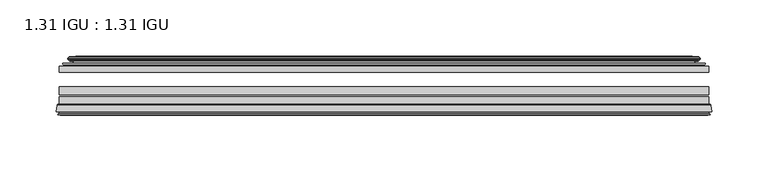
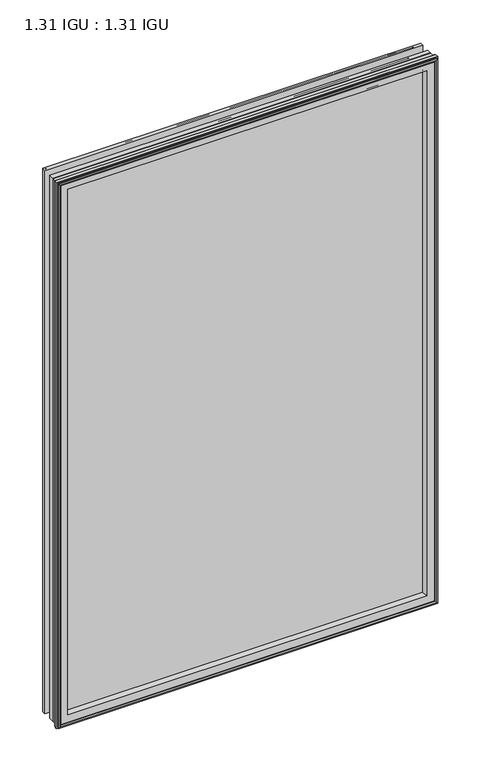
"""IFC4 building model written with IfcOpenShell, lengths in millimetres: plate geometry, 1.31 IGU : 1.31 IGU."""

from ifc_helpers import new_model, si_unit, frame, origin, place, context, project, spatial, polyline, ellipse_curve, outline, extrude, source, transform, mapped, element, save
from ifc_brep_helpers import plane_surface, cylinder_surface, revolved_surface, advanced_brep


def plate_1_31_igu_1_31_igu_e67e0231(model_context):
    return source(origin(), model_context, "Body", "SolidModel", [
        extrude(outline(polyline([(287.3331075, -44.8960875), (287.3331075, -50.4332875), (-287.3380426, -50.4332875), (-287.3380426, -44.8960875), (287.3331075, -44.8960875)])), frame((0.0, 0.0, -14.2875), z_axis=(0.0, 0.0, 1.0), x_axis=(1.0, 0.0, 0.0)), (0.0, 0.0, 1.0), 873.1260851),
        extrude(outline(polyline([(-287.3380426, -78.7796875), (-287.3380426, -71.7692875), (287.3331075, -71.7692875), (287.3331075, -78.7796875), (-287.3380426, -78.7796875)])), frame((0.0, 0.0, -14.2875), z_axis=(0.0, 0.0, 1.0), x_axis=(1.0, 0.0, 0.0)), (0.0, 0.0, 1.0), 873.1260851),
        extrude(outline(polyline([(-287.3380426, -70.2452875), (-287.3380426, -63.1332875), (287.3331075, -63.1332875), (287.3331075, -70.2452875), (-287.3380426, -70.2452875)])), frame((0.0, 0.0, -14.2875), z_axis=(0.0, 0.0, 1.0), x_axis=(1.0, 0.0, 0.0)), (0.0, 0.0, 1.0), 873.1260851),
        advanced_brep(
        [(-289.8849465, -85.1296875, 861.385489), (-289.1901627, -79.4711276, 860.6907053), (-289.1901627, -79.4711276, -16.1396201), (-289.8849465, -85.1296875, -16.8344039), (-287.4973465, -87.1207518, 858.997889), (-287.9545465, -85.1296875, 859.455089), (-287.9545465, -85.1296875, -14.9040039), (-287.4973465, -87.1207518, -14.4468039), (-288.4987083, -86.8524376, 859.9992509), (-288.4987083, -86.8524376, -15.4481658), (-288.7419465, -87.7602147, 860.242489), (-288.7419465, -87.7602147, -15.6914039), (-286.7099465, -88.3046875, 858.210489), (-286.7099465, -88.3046875, -13.6594039), (-284.6779465, -87.7602147, 856.178489), (-284.6779465, -87.7602147, -11.6274039), (-284.9211846, -86.8524376, 856.4217272), (-284.9211846, -86.8524376, -11.8706421), (-285.9225465, -87.1207518, 857.423089), (-285.9225465, -87.1207518, -12.8720039), (-285.4653465, -85.1296875, 856.965889), (-285.4653465, -85.1296875, -12.4148039), (-288.4086318, -78.7796875, 859.9091744), (-288.4086318, -78.7796875, -15.3580893), (289.1901627, -79.4711276, -16.1396201), (289.8849465, -85.1296875, -16.8344039), (287.9545465, -85.1296875, -14.9040039), (287.4973465, -87.1207518, -14.4468039), (288.4987083, -86.8524376, -15.4481658), (288.7419465, -87.7602147, -15.6914039), (286.7099465, -88.3046875, -13.6594039), (284.6779465, -87.7602147, -11.6274039), (284.9211846, -86.8524376, -11.8706421), (285.9225465, -87.1207518, -12.8720039), (285.4653465, -85.1296875, -12.4148039), (288.4086318, -78.7796875, -15.3580893), (289.1901627, -79.4711276, 860.6907053), (289.8849465, -85.1296875, 861.385489), (287.9545465, -85.1296875, 859.455089), (287.4973465, -87.1207518, 858.997889), (288.4987083, -86.8524376, 859.9992509), (288.7419465, -87.7602147, 860.242489), (286.7099465, -88.3046875, 858.210489), (284.6779465, -87.7602147, 856.178489), (284.9211846, -86.8524376, 856.4217272), (285.9225465, -87.1207518, 857.423089), (285.4653465, -85.1296875, 856.965889), (288.4086318, -78.7796875, 859.9091744), (-273.0627557, -85.1296875, 844.5632982), (273.0627557, -85.1296875, 844.5632982), (273.0627557, -85.1296875, -0.0122131), (-273.0627557, -85.1296875, -0.0122131), (-269.7464788, -78.7796875, 3.3040638), (269.7464788, -78.7796875, 3.3040638), (269.7464788, -78.7796875, 841.2470213), (-269.7464788, -78.7796875, 841.2470213)],
        [
            (0, 1),
            (1, 2),
            (2, 3),
            (3, 0),
            (4, 5),
            (5, 6),
            (6, 7),
            (7, 4),
            (8, 4),
            (7, 9),
            (9, 8),
            (10, 8),
            (9, 11),
            (11, 10),
            (12, 10),
            (11, 13),
            (13, 12),
            (14, 12),
            (13, 15),
            (15, 14),
            (16, 14),
            (15, 17),
            (17, 16),
            (18, 16),
            (17, 19),
            (19, 18),
            (20, 18),
            (19, 21),
            (21, 20),
            (1, 22, ellipse_curve(frame((-288.4086318, -79.5670875, 859.9091744), z_axis=(-0.7071067811865475, 0.0, -0.7071067811865475), x_axis=(-0.7071067811865474, 0.0, 0.7071067811865476)), 1.1135518, 0.7874)),
            (22, 23),
            (23, 2, ellipse_curve(frame((-288.4086318, -79.5670875, -15.3580893), z_axis=(-0.7071067811865475, 0.0, 0.7071067811865475), x_axis=(0.7071067811865474, 0.0, 0.7071067811865476)), 1.1135518, 0.7874)),
            (2, 24),
            (24, 25),
            (25, 3),
            (6, 26),
            (26, 27),
            (27, 7),
            (27, 28),
            (28, 9),
            (28, 29),
            (29, 11),
            (29, 30),
            (30, 13),
            (30, 31),
            (31, 15),
            (31, 32),
            (32, 17),
            (32, 33),
            (33, 19),
            (33, 34),
            (34, 21),
            (23, 35),
            (35, 24, ellipse_curve(frame((288.4086318, -79.5670875, -15.3580893), z_axis=(-0.7071067811865475, 0.0, -0.7071067811865475), x_axis=(-0.7071067811865476, 0.0, 0.7071067811865474)), 1.1135518, 0.7874)),
            (24, 36),
            (36, 37),
            (37, 25),
            (26, 38),
            (38, 39),
            (39, 27),
            (39, 40),
            (40, 28),
            (40, 41),
            (41, 29),
            (41, 42),
            (42, 30),
            (42, 43),
            (43, 31),
            (43, 44),
            (44, 32),
            (44, 45),
            (45, 33),
            (45, 46),
            (46, 34),
            (35, 47),
            (47, 36, ellipse_curve(frame((288.4086318, -79.5670875, 859.9091744), z_axis=(0.7071067811865475, 0.0, -0.7071067811865475), x_axis=(-0.7071067811865474, 0.0, -0.7071067811865476)), 1.1135518, 0.7874)),
            (36, 1),
            (0, 37),
            (5, 38),
            (4, 39),
            (8, 40),
            (10, 41),
            (12, 42),
            (14, 43),
            (16, 44),
            (18, 45),
            (20, 46),
            (48, 49),
            (49, 50),
            (50, 51),
            (51, 48),
            (22, 47),
            (52, 53),
            (53, 54),
            (54, 55),
            (55, 52),
            (55, 48, ellipse_curve(frame((-261.8134608, -86.963653, 833.3140033), z_axis=(0.7071067811865475, 0.0, 0.7071067811865475), x_axis=(0.7071067811865474, 0.0, -0.7071067811865476)), 16.118937, 11.3978097)),
            (51, 52, ellipse_curve(frame((-261.8134608, -86.963653, 11.2370818), z_axis=(0.7071067811865475, 0.0, -0.7071067811865475), x_axis=(-0.7071067811865474, 0.0, -0.7071067811865476)), 16.118937, 11.3978097)),
            (50, 53, ellipse_curve(frame((261.8134608, -86.963653, 11.2370818), z_axis=(0.7071067811865475, 0.0, 0.7071067811865475), x_axis=(0.7071067811865476, 0.0, -0.7071067811865474)), 16.118937, 11.3978097)),
            (49, 54, ellipse_curve(frame((261.8134608, -86.963653, 833.3140033), z_axis=(-0.7071067811865475, 0.0, 0.7071067811865475), x_axis=(0.7071067811865474, 0.0, 0.7071067811865476)), 16.118937, 11.3978097)),
        ],
        [
            plane_surface(frame((-289.1901627, -79.4711276, 860.6907053), z_axis=(-0.9925461516413008, 0.12186934340532066, 0.0), x_axis=(0.0, 0.0, -1.0))),
            plane_surface(frame((-287.9545465, -85.1296875, 859.455089), z_axis=(-0.9746347637895996, -0.22380142361654334, 0.0), x_axis=(0.0, 0.0, -1.0))),
            plane_surface(frame((-287.4973465, -87.1207518, 858.997889), z_axis=(0.25881904510266784, 0.9659258262890289, 0.0), x_axis=(0.0, 0.0, -1.0))),
            plane_surface(frame((-288.4987083, -86.8524376, 859.9992509), z_axis=(-0.9659258262890449, 0.2588190451026083, 0.0), x_axis=(0.0, 0.0, -1.0))),
            plane_surface(frame((-288.7419465, -87.7602147, 860.242489), z_axis=(-0.2588190451025689, -0.9659258262890554, 0.0), x_axis=(0.0, 0.0, -1.0))),
            plane_surface(frame((-286.7099465, -88.3046875, 858.210489), z_axis=(0.25881904510241466, -0.9659258262890968, 0.0), x_axis=(0.0, 0.0, -1.0))),
            plane_surface(frame((-284.6779465, -87.7602147, 856.178489), z_axis=(0.9659258262890272, 0.25881904510267406, 0.0), x_axis=(0.0, 0.0, -1.0))),
            plane_surface(frame((-284.9211846, -86.8524376, 856.4217272), z_axis=(-0.25881904510234177, 0.9659258262891163, 0.0), x_axis=(0.0, 0.0, -1.0))),
            plane_surface(frame((-285.9225465, -87.1207518, 857.423089), z_axis=(0.9746347637895937, -0.22380142361656946, 0.0), x_axis=(0.0, 0.0, -1.0))),
            cylinder_surface(frame((-288.4086318, -79.5670875, 876.3010851), z_axis=(0.0, 0.0, 1.0), x_axis=(-1.0, 0.0, 0.0)), 0.7874),
            plane_surface(frame((-289.1901627, -79.4711276, -16.1396201), z_axis=(0.0, 0.12186934340531747, -0.9925461516413012), x_axis=(1.0, 0.0, 0.0))),
            plane_surface(frame((-287.9545465, -85.1296875, -14.9040039), z_axis=(0.0, -0.22380142361654648, -0.9746347637895989), x_axis=(1.0, 0.0, 0.0))),
            plane_surface(frame((-287.4973465, -87.1207518, -14.4468039), z_axis=(0.0, 0.9659258262890298, 0.25881904510266474), x_axis=(1.0, 0.0, 0.0))),
            plane_surface(frame((-288.4987083, -86.8524376, -15.4481658), z_axis=(0.0, 0.25881904510260517, -0.9659258262890458), x_axis=(1.0, 0.0, 0.0))),
            plane_surface(frame((-288.7419465, -87.7602147, -15.6914039), z_axis=(0.0, -0.9659258262890563, -0.2588190451025658), x_axis=(1.0, 0.0, 0.0))),
            plane_surface(frame((-286.7099465, -88.3046875, -13.6594039), z_axis=(0.0, -0.965925826289096, 0.25881904510241777), x_axis=(1.0, 0.0, 0.0))),
            plane_surface(frame((-284.6779465, -87.7602147, -11.6274039), z_axis=(0.0, 0.2588190451026772, 0.9659258262890265), x_axis=(1.0, 0.0, 0.0))),
            plane_surface(frame((-284.9211846, -86.8524376, -11.8706421), z_axis=(0.0, 0.9659258262891154, -0.2588190451023449), x_axis=(1.0, 0.0, 0.0))),
            plane_surface(frame((-285.9225465, -87.1207518, -12.8720039), z_axis=(0.0, -0.22380142361656633, 0.9746347637895943), x_axis=(1.0, 0.0, 0.0))),
            cylinder_surface(frame((-304.8005426, -79.5670875, -15.3580893), z_axis=(-1.0, 0.0, 0.0), x_axis=(0.0, 0.0, -1.0)), 0.7874),
            plane_surface(frame((289.1901627, -79.4711276, -16.1396201), z_axis=(0.9925461516413017, 0.12186934340531427, 0.0), x_axis=(0.0, 0.0, 1.0))),
            plane_surface(frame((287.9545465, -85.1296875, -14.9040039), z_axis=(0.9746347637895982, -0.22380142361654962, 0.0), x_axis=(0.0, 0.0, 1.0))),
            plane_surface(frame((287.4973465, -87.1207518, -14.4468039), z_axis=(-0.2588190451026616, 0.9659258262890307, 0.0), x_axis=(0.0, 0.0, 1.0))),
            plane_surface(frame((288.4987083, -86.8524376, -15.4481658), z_axis=(0.9659258262890467, 0.25881904510260206, 0.0), x_axis=(0.0, 0.0, 1.0))),
            plane_surface(frame((288.7419465, -87.7602147, -15.6914039), z_axis=(0.2588190451025627, -0.9659258262890572, 0.0), x_axis=(0.0, 0.0, 1.0))),
            plane_surface(frame((286.7099465, -88.3046875, -13.6594039), z_axis=(-0.2588190451024209, -0.9659258262890951, 0.0), x_axis=(0.0, 0.0, 1.0))),
            plane_surface(frame((284.6779465, -87.7602147, -11.6274039), z_axis=(-0.9659258262890256, 0.25881904510268033, 0.0), x_axis=(0.0, 0.0, 1.0))),
            plane_surface(frame((284.9211846, -86.8524376, -11.8706421), z_axis=(0.25881904510234804, 0.9659258262891146, 0.0), x_axis=(0.0, 0.0, 1.0))),
            plane_surface(frame((285.9225465, -87.1207518, -12.8720039), z_axis=(-0.974634763789595, -0.2238014236165632, 0.0), x_axis=(0.0, 0.0, 1.0))),
            cylinder_surface(frame((288.4086318, -79.5670875, -31.75), z_axis=(0.0, 0.0, -1.0), x_axis=(1.0, 0.0, 0.0)), 0.7874),
            plane_surface(frame((289.1901627, -79.4711276, 860.6907053), z_axis=(0.0, 0.12186934340531747, 0.9925461516413012), x_axis=(-1.0, 0.0, 0.0))),
            plane_surface(frame((289.8849465, -85.1296875, 861.385489), z_axis=(0.0, -1.0, 0.0), x_axis=(-1.0, 0.0, 0.0))),
            plane_surface(frame((287.9545465, -85.1296875, 859.455089), z_axis=(0.0, -0.22380142361654648, 0.9746347637895989), x_axis=(-1.0, 0.0, 0.0))),
            plane_surface(frame((287.4973465, -87.1207518, 858.997889), z_axis=(0.0, 0.9659258262890298, -0.25881904510266474), x_axis=(-1.0, 0.0, 0.0))),
            plane_surface(frame((288.4987083, -86.8524376, 859.9992509), z_axis=(0.0, 0.25881904510260517, 0.9659258262890458), x_axis=(-1.0, 0.0, 0.0))),
            plane_surface(frame((288.7419465, -87.7602147, 860.242489), z_axis=(0.0, -0.9659258262890563, 0.2588190451025658), x_axis=(-1.0, 0.0, 0.0))),
            plane_surface(frame((286.7099465, -88.3046875, 858.210489), z_axis=(0.0, -0.965925826289096, -0.25881904510241777), x_axis=(-1.0, 0.0, 0.0))),
            plane_surface(frame((284.6779465, -87.7602147, 856.178489), z_axis=(0.0, 0.2588190451026772, -0.9659258262890265), x_axis=(-1.0, 0.0, 0.0))),
            plane_surface(frame((284.9211846, -86.8524376, 856.4217272), z_axis=(0.0, 0.9659258262891155, 0.25881904510234494), x_axis=(-1.0, 0.0, 0.0))),
            plane_surface(frame((285.9225465, -87.1207518, 857.423089), z_axis=(0.0, -0.22380142361656633, -0.9746347637895943), x_axis=(-1.0, 0.0, 0.0))),
            plane_surface(frame((285.4653465, -85.1296875, 856.965889), z_axis=(0.0, -1.0, 0.0), x_axis=(-1.0, 0.0, 0.0))),
            plane_surface(frame((269.7464788, -78.7796875, 841.2470213), z_axis=(0.0, 1.0, 0.0), x_axis=(-1.0, 0.0, 0.0))),
            cylinder_surface(frame((304.8005426, -79.5670875, 859.9091744), z_axis=(1.0, 0.0, 0.0), x_axis=(0.0, 0.0, 1.0)), 0.7874),
            revolved_surface(polyline([(-273.21127049999996, -86.963653, -0.1607278582187064), (-273.21127049999996, -86.963653, 844.7118129582187)]), (-261.8134608, -86.963653, 876.3010851), (0.0, 0.0, -1.0)),
            revolved_surface(polyline([(273.21127045821873, -86.963653, -0.16072789999999948), (-273.21127045821873, -86.963653, -0.16072789999999948)]), (-304.8005426, -86.963653, 11.2370818), (1.0, 0.0, 0.0)),
            revolved_surface(polyline([(273.21127049999996, -86.963653, 844.7118129582187), (273.21127049999996, -86.963653, -0.16072785821874191)]), (261.8134608, -86.963653, -31.75), (0.0, 0.0, 1.0)),
            revolved_surface(polyline([(-273.21127045821873, -86.963653, 844.711813), (273.21127045821873, -86.963653, 844.711813)]), (304.8005426, -86.963653, 833.3140033), (-1.0, 0.0, 0.0)),
        ],
        [
            (0, [[1, 2, 3, 4]]),
            (1, [[5, 6, 7, 8]]),
            (2, [[9, -8, 10, 11]]),
            (3, [[12, -11, 13, 14]]),
            (4, [[15, -14, 16, 17]]),
            (5, [[18, -17, 19, 20]]),
            (6, [[21, -20, 22, 23]]),
            (7, [[24, -23, 25, 26]]),
            (8, [[27, -26, 28, 29]]),
            (9, [[30, 31, 32, -2]]),
            (10, [[-3, 33, 34, 35]]),
            (11, [[-7, 36, 37, 38]]),
            (12, [[-10, -38, 39, 40]]),
            (13, [[-13, -40, 41, 42]]),
            (14, [[-16, -42, 43, 44]]),
            (15, [[-19, -44, 45, 46]]),
            (16, [[-22, -46, 47, 48]]),
            (17, [[-25, -48, 49, 50]]),
            (18, [[-28, -50, 51, 52]]),
            (19, [[-32, 53, 54, -33]]),
            (20, [[-34, 55, 56, 57]]),
            (21, [[-37, 58, 59, 60]]),
            (22, [[-39, -60, 61, 62]]),
            (23, [[-41, -62, 63, 64]]),
            (24, [[-43, -64, 65, 66]]),
            (25, [[-45, -66, 67, 68]]),
            (26, [[-47, -68, 69, 70]]),
            (27, [[-49, -70, 71, 72]]),
            (28, [[-51, -72, 73, 74]]),
            (29, [[-54, 75, 76, -55]]),
            (30, [[-56, 77, -1, 78]]),
            (31, [[-35, -57, -78, -4], [79, -58, -36, -6]]),
            (32, [[-59, -79, -5, 80]]),
            (33, [[-61, -80, -9, 81]]),
            (34, [[-63, -81, -12, 82]]),
            (35, [[-65, -82, -15, 83]]),
            (36, [[-67, -83, -18, 84]]),
            (37, [[-69, -84, -21, 85]]),
            (38, [[-71, -85, -24, 86]]),
            (39, [[-73, -86, -27, 87]]),
            (40, [[-52, -74, -87, -29], [88, 89, 90, 91]]),
            (41, [[92, -75, -53, -31], [93, 94, 95, 96]]),
            (42, [[-76, -92, -30, -77]]),
            (43, [[97, -91, 98, -96]]),
            (44, [[-98, -90, 99, -93]]),
            (45, [[-99, -89, 100, -94]]),
            (46, [[-100, -88, -97, -95]]),
        ],
    ),
        advanced_brep(
        [(-277.992718, -37.7373382, 849.4932606), (-273.0510851, -36.3108875, 844.5516277), (-273.0510851, -36.3108875, -0.0005426), (-277.992718, -37.7373382, -4.9421755), (-277.8276127, -36.9605789, 849.3281553), (-277.8276127, -36.9605789, -4.7770702), (-278.4230984, -36.4771203, 849.923641), (-278.4230984, -36.4771203, -5.3725559), (-279.6877342, -37.766076, 851.1882768), (-279.6877342, -37.766076, -6.6371917), (-279.6769175, -38.8797852, 851.17746), (-279.6769175, -38.8797852, -6.6263749), (-278.3954323, -40.1361433, 849.8959748), (-278.3954323, -40.1361433, -5.3448897), (-277.7904254, -39.649943, 849.290968), (-277.7904254, -39.649943, -4.7398829), (-278.3444397, -39.0959287, 849.8449823), (-278.3444397, -39.0959287, -5.2938972), (-276.0586313, -38.7029881, 847.5591739), (-276.0586313, -38.7029881, -3.0080887), (-274.5995582, -40.2107282, 846.1001008), (-274.5995582, -40.2107282, -1.5490157), (-274.8961401, -41.651269, 846.3966827), (-274.8961401, -41.651269, -1.8455976), (-275.6673646, -42.2798875, 847.1679072), (-275.6673646, -42.2798875, -2.6168221), (-283.9713409, -43.4871542, 855.4718835), (-283.6961395, -42.2798875, 855.1966821), (-283.6961395, -42.2798875, -10.6455969), (-283.9713409, -43.4871542, -10.9207984), (-280.5137723, -44.8960875, 852.0143149), (-280.5137723, -44.8960875, -7.4632297), (-269.4161485, -44.023302, 840.9166911), (-269.7714864, -44.8960875, 841.272029), (-269.7714864, -44.8960875, 3.2790561), (-269.4161485, -44.023302, 3.6343941), (-270.0873465, -43.3681812, 841.5878891), (-270.0873465, -43.3681812, 2.963196), (-271.7281371, -40.6686056, 843.2286797), (-271.7281371, -40.6686056, 1.3224054), (273.0510851, -36.3108875, -0.0005426), (277.992718, -37.7373382, -4.9421755), (277.8276127, -36.9605789, -4.7770702), (278.4230984, -36.4771203, -5.3725559), (279.6877342, -37.766076, -6.6371917), (279.6769175, -38.8797852, -6.6263749), (278.3954323, -40.1361433, -5.3448897), (277.7904254, -39.649943, -4.7398829), (278.3444397, -39.0959287, -5.2938972), (276.0586313, -38.7029881, -3.0080887), (274.5995582, -40.2107282, -1.5490157), (274.8961401, -41.651269, -1.8455976), (275.6673646, -42.2798875, -2.6168221), (283.6961395, -42.2798875, -10.6455969), (283.9713409, -43.4871542, -10.9207984), (280.5137723, -44.8960875, -7.4632297), (269.7714864, -44.8960875, 3.2790561), (269.4161485, -44.023302, 3.6343941), (270.0873465, -43.3681812, 2.963196), (271.7281371, -40.6686056, 1.3224054), (273.0510851, -36.3108875, 844.5516277), (277.992718, -37.7373382, 849.4932606), (277.8276127, -36.9605789, 849.3281553), (278.4230984, -36.4771203, 849.923641), (279.6877342, -37.766076, 851.1882768), (279.6769175, -38.8797852, 851.17746), (278.3954323, -40.1361433, 849.8959748), (277.7904254, -39.649943, 849.290968), (278.3444397, -39.0959287, 849.8449823), (276.0586313, -38.7029881, 847.5591739), (274.5995582, -40.2107282, 846.1001008), (274.8961401, -41.651269, 846.3966827), (275.6673646, -42.2798875, 847.1679072), (283.6961395, -42.2798875, 855.1966821), (283.9713409, -43.4871542, 855.4718835), (280.5137723, -44.8960875, 852.0143149), (269.7714864, -44.8960875, 841.272029), (269.4161485, -44.023302, 840.9166911), (270.0873465, -43.3681812, 841.5878891), (271.7281371, -40.6686056, 843.2286797)],
        [
            (0, 1),
            (1, 2),
            (2, 3),
            (3, 0),
            (4, 0),
            (3, 5),
            (5, 4),
            (6, 4, ellipse_curve(frame((-278.1481297, -36.746901, 849.6486723), z_axis=(-0.7071067811865475, 0.0, -0.7071067811865475), x_axis=(-0.7071067811865474, 0.0, 0.7071067811865476)), 0.5447741, 0.3852135)),
            (5, 7, ellipse_curve(frame((-278.1481297, -36.746901, -5.0975871), z_axis=(-0.7071067811865475, 0.0, 0.7071067811865475), x_axis=(0.7071067811865474, 0.0, 0.7071067811865476)), 0.5447741, 0.3852135)),
            (7, 6),
            (8, 6),
            (7, 9),
            (9, 8),
            (10, 8, ellipse_curve(frame((-279.1256812, -38.3175243, 850.6262238), z_axis=(-0.7071067811865475, 0.0, -0.7071067811865475), x_axis=(-0.7071067811865474, 0.0, 0.7071067811865476)), 1.1135518, 0.7874)),
            (9, 11, ellipse_curve(frame((-279.1256812, -38.3175243, -6.0751387), z_axis=(-0.7071067811865475, 0.0, 0.7071067811865475), x_axis=(0.7071067811865474, 0.0, 0.7071067811865476)), 1.1135518, 0.7874)),
            (11, 10),
            (12, 10),
            (11, 13),
            (13, 12),
            (14, 12, ellipse_curve(frame((-278.1218348, -39.8570738, 849.6223773), z_axis=(-0.7071067811865475, 0.0, -0.7071067811865475), x_axis=(-0.7071067811865474, 0.0, 0.7071067811865476)), 0.552694, 0.3908137)),
            (13, 15, ellipse_curve(frame((-278.1218348, -39.8570738, -5.0712922), z_axis=(-0.7071067811865475, 0.0, 0.7071067811865475), x_axis=(0.7071067811865474, 0.0, 0.7071067811865476)), 0.552694, 0.3908137)),
            (15, 14),
            (16, 14),
            (15, 17),
            (17, 16),
            (18, 16),
            (17, 19),
            (19, 18),
            (20, 18, ellipse_curve(frame((-275.8434687, -39.954629, 847.3440112), z_axis=(0.7071067811865475, 0.0, 0.7071067811865475), x_axis=(0.7071067811865474, 0.0, -0.7071067811865476)), 1.7960512, 1.27)),
            (19, 21, ellipse_curve(frame((-275.8434687, -39.954629, -2.7929261), z_axis=(0.7071067811865475, 0.0, -0.7071067811865475), x_axis=(-0.7071067811865474, 0.0, -0.7071067811865476)), 1.7960512, 1.27)),
            (21, 20),
            (22, 20),
            (21, 23),
            (23, 22),
            (24, 22, ellipse_curve(frame((-275.6673646, -41.4924875, 847.1679072), z_axis=(0.7071067811865475, 0.0, 0.7071067811865475), x_axis=(0.7071067811865474, 0.0, -0.7071067811865476)), 1.1135518, 0.7874)),
            (23, 25, ellipse_curve(frame((-275.6673646, -41.4924875, -2.6168221), z_axis=(0.7071067811865475, 0.0, -0.7071067811865475), x_axis=(-0.7071067811865474, 0.0, -0.7071067811865476)), 1.1135518, 0.7874)),
            (25, 24),
            (26, 27, ellipse_curve(frame((-283.6961395, -42.9148875, 855.1966821), z_axis=(-0.7071067811865475, 0.0, -0.7071067811865475), x_axis=(-0.7071067811865474, 0.0, 0.7071067811865476)), 0.8980256, 0.635)),
            (27, 28),
            (28, 29, ellipse_curve(frame((-283.6961395, -42.9148875, -10.6455969), z_axis=(-0.7071067811865475, 0.0, 0.7071067811865475), x_axis=(0.7071067811865474, 0.0, 0.7071067811865476)), 0.8980256, 0.635)),
            (29, 26),
            (30, 26),
            (29, 31),
            (31, 30),
            (32, 33, ellipse_curve(frame((-269.7714864, -44.3873602, 841.272029), z_axis=(-0.7071067811865475, 0.0, -0.7071067811865475), x_axis=(-0.7071067811865474, 0.0, 0.7071067811865476)), 0.719449, 0.5087273)),
            (33, 34),
            (34, 35, ellipse_curve(frame((-269.7714864, -44.3873602, 3.2790561), z_axis=(-0.7071067811865475, 0.0, 0.7071067811865475), x_axis=(0.7071067811865474, 0.0, 0.7071067811865476)), 0.719449, 0.5087273)),
            (35, 32),
            (36, 32),
            (35, 37),
            (37, 36),
            (38, 36, ellipse_curve(frame((-265.6519723, -38.823959, 837.1525149), z_axis=(0.7071067811865475, 0.0, 0.7071067811865475), x_axis=(0.7071067811865474, 0.0, -0.7071067811865476)), 8.9802561, 6.35)),
            (37, 39, ellipse_curve(frame((-265.6519723, -38.823959, 7.3985702), z_axis=(0.7071067811865475, 0.0, -0.7071067811865475), x_axis=(-0.7071067811865474, 0.0, -0.7071067811865476)), 8.9802561, 6.35)),
            (39, 38),
            (1, 38),
            (39, 2),
            (2, 40),
            (40, 41),
            (41, 3),
            (41, 42),
            (42, 5),
            (42, 43, ellipse_curve(frame((278.1481297, -36.746901, -5.0975871), z_axis=(-0.7071067811865475, 0.0, -0.7071067811865475), x_axis=(-0.7071067811865476, 0.0, 0.7071067811865474)), 0.5447741, 0.3852135)),
            (43, 7),
            (43, 44),
            (44, 9),
            (44, 45, ellipse_curve(frame((279.1256812, -38.3175243, -6.0751387), z_axis=(-0.7071067811865475, 0.0, -0.7071067811865475), x_axis=(-0.7071067811865476, 0.0, 0.7071067811865474)), 1.1135518, 0.7874)),
            (45, 11),
            (45, 46),
            (46, 13),
            (46, 47, ellipse_curve(frame((278.1218348, -39.8570738, -5.0712922), z_axis=(-0.7071067811865475, 0.0, -0.7071067811865475), x_axis=(-0.7071067811865476, 0.0, 0.7071067811865474)), 0.552694, 0.3908137)),
            (47, 15),
            (47, 48),
            (48, 17),
            (48, 49),
            (49, 19),
            (49, 50, ellipse_curve(frame((275.8434687, -39.954629, -2.7929261), z_axis=(0.7071067811865475, 0.0, 0.7071067811865475), x_axis=(0.7071067811865476, 0.0, -0.7071067811865474)), 1.7960512, 1.27)),
            (50, 21),
            (50, 51),
            (51, 23),
            (51, 52, ellipse_curve(frame((275.6673646, -41.4924875, -2.6168221), z_axis=(0.7071067811865475, 0.0, 0.7071067811865475), x_axis=(0.7071067811865476, 0.0, -0.7071067811865474)), 1.1135518, 0.7874)),
            (52, 25),
            (28, 53),
            (53, 54, ellipse_curve(frame((283.6961395, -42.9148875, -10.6455969), z_axis=(-0.7071067811865475, 0.0, -0.7071067811865475), x_axis=(-0.7071067811865476, 0.0, 0.7071067811865474)), 0.8980256, 0.635)),
            (54, 29),
            (54, 55),
            (55, 31),
            (34, 56),
            (56, 57, ellipse_curve(frame((269.7714864, -44.3873602, 3.2790561), z_axis=(-0.7071067811865475, 0.0, -0.7071067811865475), x_axis=(-0.7071067811865476, 0.0, 0.7071067811865474)), 0.719449, 0.5087273)),
            (57, 35),
            (57, 58),
            (58, 37),
            (58, 59, ellipse_curve(frame((265.6519723, -38.823959, 7.3985702), z_axis=(0.7071067811865475, 0.0, 0.7071067811865475), x_axis=(0.7071067811865476, 0.0, -0.7071067811865474)), 8.9802561, 6.35)),
            (59, 39),
            (59, 40),
            (40, 60),
            (60, 61),
            (61, 41),
            (61, 62),
            (62, 42),
            (62, 63, ellipse_curve(frame((278.1481297, -36.746901, 849.6486723), z_axis=(0.7071067811865475, 0.0, -0.7071067811865475), x_axis=(-0.7071067811865474, 0.0, -0.7071067811865476)), 0.5447741, 0.3852135)),
            (63, 43),
            (63, 64),
            (64, 44),
            (64, 65, ellipse_curve(frame((279.1256812, -38.3175243, 850.6262238), z_axis=(0.7071067811865475, 0.0, -0.7071067811865475), x_axis=(-0.7071067811865474, 0.0, -0.7071067811865476)), 1.1135518, 0.7874)),
            (65, 45),
            (65, 66),
            (66, 46),
            (66, 67, ellipse_curve(frame((278.1218348, -39.8570738, 849.6223773), z_axis=(0.7071067811865475, 0.0, -0.7071067811865475), x_axis=(-0.7071067811865474, 0.0, -0.7071067811865476)), 0.552694, 0.3908137)),
            (67, 47),
            (67, 68),
            (68, 48),
            (68, 69),
            (69, 49),
            (69, 70, ellipse_curve(frame((275.8434687, -39.954629, 847.3440112), z_axis=(-0.7071067811865475, 0.0, 0.7071067811865475), x_axis=(0.7071067811865474, 0.0, 0.7071067811865476)), 1.7960512, 1.27)),
            (70, 50),
            (70, 71),
            (71, 51),
            (71, 72, ellipse_curve(frame((275.6673646, -41.4924875, 847.1679072), z_axis=(-0.7071067811865475, 0.0, 0.7071067811865475), x_axis=(0.7071067811865474, 0.0, 0.7071067811865476)), 1.1135518, 0.7874)),
            (72, 52),
            (53, 73),
            (73, 74, ellipse_curve(frame((283.6961395, -42.9148875, 855.1966821), z_axis=(0.7071067811865475, 0.0, -0.7071067811865475), x_axis=(-0.7071067811865474, 0.0, -0.7071067811865476)), 0.8980256, 0.635)),
            (74, 54),
            (74, 75),
            (75, 55),
            (56, 76),
            (76, 77, ellipse_curve(frame((269.7714864, -44.3873602, 841.272029), z_axis=(0.7071067811865475, 0.0, -0.7071067811865475), x_axis=(-0.7071067811865474, 0.0, -0.7071067811865476)), 0.719449, 0.5087273)),
            (77, 57),
            (77, 78),
            (78, 58),
            (78, 79, ellipse_curve(frame((265.6519723, -38.823959, 837.1525149), z_axis=(-0.7071067811865475, 0.0, 0.7071067811865475), x_axis=(0.7071067811865474, 0.0, 0.7071067811865476)), 8.9802561, 6.35)),
            (79, 59),
            (79, 60),
            (60, 1),
            (0, 61),
            (4, 62),
            (6, 63),
            (8, 64),
            (10, 65),
            (12, 66),
            (14, 67),
            (16, 68),
            (18, 69),
            (20, 70),
            (22, 71),
            (24, 72),
            (27, 73),
            (26, 74),
            (30, 75),
            (33, 76),
            (32, 77),
            (36, 78),
            (38, 79),
        ],
        [
            plane_surface(frame((-273.0510851, -36.3108875, 844.5516277), z_axis=(-0.27733649284928463, 0.9607728502273879, 0.0), x_axis=(0.0, 0.0, -1.0))),
            plane_surface(frame((-277.992718, -37.7373382, 849.4932606), z_axis=(0.9781476007338358, -0.20791169081761768, 0.0), x_axis=(0.0, 0.0, -1.0))),
            cylinder_surface(frame((-278.1481297, -36.746901, 876.3010851), z_axis=(0.0, 0.0, 1.0), x_axis=(-1.0, 0.0, 0.0)), 0.3852135),
            plane_surface(frame((-278.4230984, -36.4771203, 849.923641), z_axis=(-0.7138087599382162, 0.7003406701280928, 0.0), x_axis=(0.0, 0.0, -1.0))),
            cylinder_surface(frame((-279.1256812, -38.3175243, 876.3010851), z_axis=(0.0, 0.0, 1.0), x_axis=(-1.0, 0.0, 0.0)), 0.7874),
            plane_surface(frame((-279.6769175, -38.8797852, 851.17746), z_axis=(-0.7000714109283732, -0.7140728391423082, 0.0), x_axis=(0.0, 0.0, -1.0))),
            cylinder_surface(frame((-278.1218348, -39.8570738, 876.3010851), z_axis=(0.0, 0.0, 1.0), x_axis=(-1.0, 0.0, 0.0)), 0.3908137),
            plane_surface(frame((-277.7904254, -39.649943, 849.290968), z_axis=(0.7071067811861126, 0.7071067811869826, 0.0), x_axis=(0.0, 0.0, -1.0))),
            plane_surface(frame((-278.3444397, -39.0959287, 849.8449823), z_axis=(0.16941940671011485, -0.9855440449974789, 0.0), x_axis=(0.0, 0.0, -1.0))),
            revolved_surface(polyline([(-277.1134687, -39.954629, -4.0629260828783345), (-277.1134687, -39.954629, 848.6140111828782)]), (-275.8434687, -39.954629, 876.3010851), (0.0, 0.0, -1.0)),
            plane_surface(frame((-274.5995582, -40.2107282, 846.1001008), z_axis=(-0.9794570432566897, 0.201652920670302, 0.0), x_axis=(0.0, 0.0, -1.0))),
            revolved_surface(polyline([(-276.4547646, -41.4924875, -3.4042221289824965), (-276.4547646, -41.4924875, 847.9553072289824)]), (-275.6673646, -41.4924875, 876.3010851), (0.0, 0.0, -1.0)),
            cylinder_surface(frame((-283.6961395, -42.9148875, 876.3010851), z_axis=(0.0, 0.0, 1.0), x_axis=(-1.0, 0.0, 0.0)), 0.635),
            plane_surface(frame((-283.9713409, -43.4871542, 855.4718835), z_axis=(-0.37736447542757934, -0.9260648209954139, 0.0), x_axis=(0.0, 0.0, -1.0))),
            cylinder_surface(frame((-269.7714864, -44.3873602, 876.3010851), z_axis=(0.0, 0.0, 1.0), x_axis=(-1.0, 0.0, 0.0)), 0.5087273),
            plane_surface(frame((-269.4161485, -44.023302, 840.9166911), z_axis=(0.698484125849927, 0.7156255486884628, 0.0), x_axis=(0.0, 0.0, -1.0))),
            revolved_surface(polyline([(-272.00197230000003, -38.823959, 1.0485702148981773), (-272.00197230000003, -38.823959, 843.5025148851018)]), (-265.6519723, -38.823959, 876.3010851), (0.0, 0.0, -1.0)),
            plane_surface(frame((-271.7281371, -40.6686056, 843.2286797), z_axis=(0.9568763473517009, 0.2904955350411896, 0.0), x_axis=(0.0, 0.0, -1.0))),
            plane_surface(frame((-273.0510851, -36.3108875, -0.0005426), z_axis=(0.0, 0.960772850227387, -0.27733649284928774), x_axis=(1.0, 0.0, 0.0))),
            plane_surface(frame((-277.992718, -37.7373382, -4.9421755), z_axis=(0.0, -0.20791169081761454, 0.9781476007338364), x_axis=(1.0, 0.0, 0.0))),
            cylinder_surface(frame((-304.8005426, -36.746901, -5.0975871), z_axis=(-1.0, 0.0, 0.0), x_axis=(0.0, 0.0, -1.0)), 0.3852135),
            plane_surface(frame((-278.4230984, -36.4771203, -5.3725559), z_axis=(0.0, 0.7003406701280904, -0.7138087599382185), x_axis=(1.0, 0.0, 0.0))),
            cylinder_surface(frame((-304.8005426, -38.3175243, -6.0751387), z_axis=(-1.0, 0.0, 0.0), x_axis=(0.0, 0.0, -1.0)), 0.7874),
            plane_surface(frame((-279.6769175, -38.8797852, -6.6263749), z_axis=(0.0, -0.7140728391423105, -0.7000714109283709), x_axis=(1.0, 0.0, 0.0))),
            cylinder_surface(frame((-304.8005426, -39.8570738, -5.0712922), z_axis=(-1.0, 0.0, 0.0), x_axis=(0.0, 0.0, -1.0)), 0.3908137),
            plane_surface(frame((-277.7904254, -39.649943, -4.7398829), z_axis=(0.0, 0.7071067811869849, 0.7071067811861103), x_axis=(1.0, 0.0, 0.0))),
            plane_surface(frame((-278.3444397, -39.0959287, -5.2938972), z_axis=(0.0, -0.9855440449974784, 0.16941940671011801), x_axis=(1.0, 0.0, 0.0))),
            revolved_surface(polyline([(277.11346868287836, -39.954629, -4.0629261), (-277.11346868287825, -39.954629, -4.0629261)]), (-304.8005426, -39.954629, -2.7929261), (1.0, 0.0, 0.0)),
            plane_surface(frame((-274.5995582, -40.2107282, -1.5490157), z_axis=(0.0, 0.20165292067029883, -0.9794570432566904), x_axis=(1.0, 0.0, 0.0))),
            revolved_surface(polyline([(276.45476462898245, -41.4924875, -3.4042220999999997), (-276.45476462898245, -41.4924875, -3.4042220999999997)]), (-304.8005426, -41.4924875, -2.6168221), (1.0, 0.0, 0.0)),
            cylinder_surface(frame((-304.8005426, -42.9148875, -10.6455969), z_axis=(-1.0, 0.0, 0.0), x_axis=(0.0, 0.0, -1.0)), 0.635),
            plane_surface(frame((-283.9713409, -43.4871542, -10.9207984), z_axis=(0.0, -0.9260648209954151, -0.37736447542757634), x_axis=(1.0, 0.0, 0.0))),
            cylinder_surface(frame((-304.8005426, -44.3873602, 3.2790561), z_axis=(-1.0, 0.0, 0.0), x_axis=(0.0, 0.0, -1.0)), 0.5087273),
            plane_surface(frame((-269.4161485, -44.023302, 3.6343941), z_axis=(0.0, 0.7156255486884651, 0.6984841258499247), x_axis=(1.0, 0.0, 0.0))),
            revolved_surface(polyline([(272.0019722851019, -38.823959, 1.0485702000000003), (-272.0019722851019, -38.823959, 1.0485702000000003)]), (-304.8005426, -38.823959, 7.3985702), (1.0, 0.0, 0.0)),
            plane_surface(frame((-271.7281371, -40.6686056, 1.3224054), z_axis=(0.0, 0.29049553504119263, 0.9568763473517), x_axis=(1.0, 0.0, 0.0))),
            plane_surface(frame((273.0510851, -36.3108875, -0.0005426), z_axis=(0.27733649284929085, 0.9607728502273861, 0.0), x_axis=(0.0, 0.0, 1.0))),
            plane_surface(frame((277.992718, -37.7373382, -4.9421755), z_axis=(-0.9781476007338371, -0.2079116908176114, 0.0), x_axis=(0.0, 0.0, 1.0))),
            cylinder_surface(frame((278.1481297, -36.746901, -31.75), z_axis=(0.0, 0.0, -1.0), x_axis=(1.0, 0.0, 0.0)), 0.3852135),
            plane_surface(frame((278.4230984, -36.4771203, -5.3725559), z_axis=(0.7138087599382208, 0.7003406701280882, 0.0), x_axis=(0.0, 0.0, 1.0))),
            cylinder_surface(frame((279.1256812, -38.3175243, -31.75), z_axis=(0.0, 0.0, -1.0), x_axis=(1.0, 0.0, 0.0)), 0.7874),
            plane_surface(frame((279.6769175, -38.8797852, -6.6263749), z_axis=(0.7000714109283687, -0.7140728391423128, 0.0), x_axis=(0.0, 0.0, 1.0))),
            cylinder_surface(frame((278.1218348, -39.8570738, -31.75), z_axis=(0.0, 0.0, -1.0), x_axis=(1.0, 0.0, 0.0)), 0.3908137),
            plane_surface(frame((277.7904254, -39.649943, -4.7398829), z_axis=(-0.7071067811861079, 0.7071067811869872, 0.0), x_axis=(0.0, 0.0, 1.0))),
            plane_surface(frame((278.3444397, -39.0959287, -5.2938972), z_axis=(-0.16941940671012118, -0.9855440449974778, 0.0), x_axis=(0.0, 0.0, 1.0))),
            revolved_surface(polyline([(277.1134687, -39.954629, 848.6140111828782), (277.1134687, -39.954629, -4.062926082878235)]), (275.8434687, -39.954629, -31.75), (0.0, 0.0, 1.0)),
            plane_surface(frame((274.5995582, -40.2107282, -1.5490157), z_axis=(0.979457043256691, 0.20165292067029567, 0.0), x_axis=(0.0, 0.0, 1.0))),
            revolved_surface(polyline([(276.4547646, -41.4924875, 847.9553072289824), (276.4547646, -41.4924875, -3.404222128982486)]), (275.6673646, -41.4924875, -31.75), (0.0, 0.0, 1.0)),
            cylinder_surface(frame((283.6961395, -42.9148875, -31.75), z_axis=(0.0, 0.0, -1.0), x_axis=(1.0, 0.0, 0.0)), 0.635),
            plane_surface(frame((283.9713409, -43.4871542, -10.9207984), z_axis=(0.37736447542757334, -0.9260648209954163, 0.0), x_axis=(0.0, 0.0, 1.0))),
            cylinder_surface(frame((269.7714864, -44.3873602, -31.75), z_axis=(0.0, 0.0, -1.0), x_axis=(1.0, 0.0, 0.0)), 0.5087273),
            plane_surface(frame((269.4161485, -44.023302, 3.6343941), z_axis=(-0.6984841258499224, 0.7156255486884673, 0.0), x_axis=(0.0, 0.0, 1.0))),
            revolved_surface(polyline([(272.00197230000003, -38.823959, 843.5025148851018), (272.00197230000003, -38.823959, 1.0485702148981417)]), (265.6519723, -38.823959, -31.75), (0.0, 0.0, 1.0)),
            plane_surface(frame((271.7281371, -40.6686056, 1.3224054), z_axis=(-0.9568763473516991, 0.2904955350411957, 0.0), x_axis=(0.0, 0.0, 1.0))),
            plane_surface(frame((273.0510851, -36.3108875, 844.5516277), z_axis=(0.0, 0.960772850227387, 0.27733649284928774), x_axis=(-1.0, 0.0, 0.0))),
            plane_surface(frame((277.992718, -37.7373382, 849.4932606), z_axis=(0.0, -0.20791169081761454, -0.9781476007338364), x_axis=(-1.0, 0.0, 0.0))),
            cylinder_surface(frame((304.8005426, -36.746901, 849.6486723), z_axis=(1.0, 0.0, 0.0), x_axis=(0.0, 0.0, 1.0)), 0.3852135),
            plane_surface(frame((278.4230984, -36.4771203, 849.923641), z_axis=(0.0, 0.7003406701280904, 0.7138087599382185), x_axis=(-1.0, 0.0, 0.0))),
            cylinder_surface(frame((304.8005426, -38.3175243, 850.6262238), z_axis=(1.0, 0.0, 0.0), x_axis=(0.0, 0.0, 1.0)), 0.7874),
            plane_surface(frame((279.6769175, -38.8797852, 851.17746), z_axis=(0.0, -0.7140728391423106, 0.700071410928371), x_axis=(-1.0, 0.0, 0.0))),
            cylinder_surface(frame((304.8005426, -39.8570738, 849.6223773), z_axis=(1.0, 0.0, 0.0), x_axis=(0.0, 0.0, 1.0)), 0.3908137),
            plane_surface(frame((277.7904254, -39.649943, 849.290968), z_axis=(0.0, 0.7071067811869849, -0.7071067811861103), x_axis=(-1.0, 0.0, 0.0))),
            plane_surface(frame((278.3444397, -39.0959287, 849.8449823), z_axis=(0.0, -0.9855440449974784, -0.16941940671011801), x_axis=(-1.0, 0.0, 0.0))),
            revolved_surface(polyline([(-277.11346868287836, -39.954629, 848.6140111999999), (277.11346868287825, -39.954629, 848.6140111999999)]), (304.8005426, -39.954629, 847.3440112), (-1.0, 0.0, 0.0)),
            plane_surface(frame((274.5995582, -40.2107282, 846.1001008), z_axis=(0.0, 0.20165292067029883, 0.9794570432566904), x_axis=(-1.0, 0.0, 0.0))),
            revolved_surface(polyline([(-276.45476462898245, -41.4924875, 847.9553072), (276.45476462898245, -41.4924875, 847.9553072)]), (304.8005426, -41.4924875, 847.1679072), (-1.0, 0.0, 0.0)),
            plane_surface(frame((275.6673646, -42.2798875, 847.1679072), z_axis=(0.0, 1.0, 0.0), x_axis=(-1.0, 0.0, 0.0))),
            cylinder_surface(frame((304.8005426, -42.9148875, 855.1966821), z_axis=(1.0, 0.0, 0.0), x_axis=(0.0, 0.0, 1.0)), 0.635),
            plane_surface(frame((283.9713409, -43.4871542, 855.4718835), z_axis=(0.0, -0.9260648209954151, 0.37736447542757634), x_axis=(-1.0, 0.0, 0.0))),
            plane_surface(frame((280.5137723, -44.8960875, 852.0143149), z_axis=(0.0, -1.0, 0.0), x_axis=(-1.0, 0.0, 0.0))),
            cylinder_surface(frame((304.8005426, -44.3873602, 841.272029), z_axis=(1.0, 0.0, 0.0), x_axis=(0.0, 0.0, 1.0)), 0.5087273),
            plane_surface(frame((269.4161485, -44.023302, 840.9166911), z_axis=(0.0, 0.7156255486884651, -0.6984841258499247), x_axis=(-1.0, 0.0, 0.0))),
            revolved_surface(polyline([(-272.0019722851019, -38.823959, 843.5025149), (272.0019722851019, -38.823959, 843.5025149)]), (304.8005426, -38.823959, 837.1525149), (-1.0, 0.0, 0.0)),
            plane_surface(frame((271.7281371, -40.6686056, 843.2286797), z_axis=(0.0, 0.29049553504119263, -0.9568763473517), x_axis=(-1.0, 0.0, 0.0))),
        ],
        [
            (0, [[1, 2, 3, 4]]),
            (1, [[5, -4, 6, 7]]),
            (2, [[8, -7, 9, 10]]),
            (3, [[11, -10, 12, 13]]),
            (4, [[14, -13, 15, 16]]),
            (5, [[17, -16, 18, 19]]),
            (6, [[20, -19, 21, 22]]),
            (7, [[23, -22, 24, 25]]),
            (8, [[26, -25, 27, 28]]),
            (9, [[29, -28, 30, 31]]),
            (10, [[32, -31, 33, 34]]),
            (11, [[35, -34, 36, 37]]),
            (12, [[38, 39, 40, 41]]),
            (13, [[42, -41, 43, 44]]),
            (14, [[45, 46, 47, 48]]),
            (15, [[49, -48, 50, 51]]),
            (16, [[52, -51, 53, 54]]),
            (17, [[55, -54, 56, -2]]),
            (18, [[-3, 57, 58, 59]]),
            (19, [[-6, -59, 60, 61]]),
            (20, [[-9, -61, 62, 63]]),
            (21, [[-12, -63, 64, 65]]),
            (22, [[-15, -65, 66, 67]]),
            (23, [[-18, -67, 68, 69]]),
            (24, [[-21, -69, 70, 71]]),
            (25, [[-24, -71, 72, 73]]),
            (26, [[-27, -73, 74, 75]]),
            (27, [[-30, -75, 76, 77]]),
            (28, [[-33, -77, 78, 79]]),
            (29, [[-36, -79, 80, 81]]),
            (30, [[-40, 82, 83, 84]]),
            (31, [[-43, -84, 85, 86]]),
            (32, [[-47, 87, 88, 89]]),
            (33, [[-50, -89, 90, 91]]),
            (34, [[-53, -91, 92, 93]]),
            (35, [[-56, -93, 94, -57]]),
            (36, [[-58, 95, 96, 97]]),
            (37, [[-60, -97, 98, 99]]),
            (38, [[-62, -99, 100, 101]]),
            (39, [[-64, -101, 102, 103]]),
            (40, [[-66, -103, 104, 105]]),
            (41, [[-68, -105, 106, 107]]),
            (42, [[-70, -107, 108, 109]]),
            (43, [[-72, -109, 110, 111]]),
            (44, [[-74, -111, 112, 113]]),
            (45, [[-76, -113, 114, 115]]),
            (46, [[-78, -115, 116, 117]]),
            (47, [[-80, -117, 118, 119]]),
            (48, [[-83, 120, 121, 122]]),
            (49, [[-85, -122, 123, 124]]),
            (50, [[-88, 125, 126, 127]]),
            (51, [[-90, -127, 128, 129]]),
            (52, [[-92, -129, 130, 131]]),
            (53, [[-94, -131, 132, -95]]),
            (54, [[-96, 133, -1, 134]]),
            (55, [[-98, -134, -5, 135]]),
            (56, [[-100, -135, -8, 136]]),
            (57, [[-102, -136, -11, 137]]),
            (58, [[-104, -137, -14, 138]]),
            (59, [[-106, -138, -17, 139]]),
            (60, [[-108, -139, -20, 140]]),
            (61, [[-110, -140, -23, 141]]),
            (62, [[-112, -141, -26, 142]]),
            (63, [[-114, -142, -29, 143]]),
            (64, [[-116, -143, -32, 144]]),
            (65, [[-118, -144, -35, 145]]),
            (66, [[146, -120, -82, -39], [-81, -119, -145, -37]]),
            (67, [[-121, -146, -38, 147]]),
            (68, [[-123, -147, -42, 148]]),
            (69, [[-86, -124, -148, -44], [149, -125, -87, -46]]),
            (70, [[-126, -149, -45, 150]]),
            (71, [[-128, -150, -49, 151]]),
            (72, [[-130, -151, -52, 152]]),
            (73, [[-132, -152, -55, -133]]),
        ],
    ),
    ])


if __name__ == "__main__":
    model = new_model("IFC4")
    model_context = context("Model", 3, world=origin())
    ifc_project = project(units=[si_unit("LENGTHUNIT", "METRE", prefix="MILLI")], contexts=[model_context])
    site = spatial("IfcSite", under=ifc_project)
    building = spatial("IfcBuilding", under=site)
    placement = place(None, origin())
    plate_1_31_igu_1_31_igu_shape = plate_1_31_igu_1_31_igu_e67e0231(model_context)
    element("IfcPlate", 1, ObjectType="1.31 IGU : 1.31 IGU", at=placement, inside=building, context=model_context, shape_type="MappedRepresentation", body=[
        mapped(plate_1_31_igu_1_31_igu_shape, transform((0.0, 0.0, 0.0), x_axis=(1.0, 0.0, 0.0), y_axis=(0.0, 1.0, 0.0), z_axis=(0.0, 0.0, 1.0))),
    ])
    save(model, "model.ifc")
